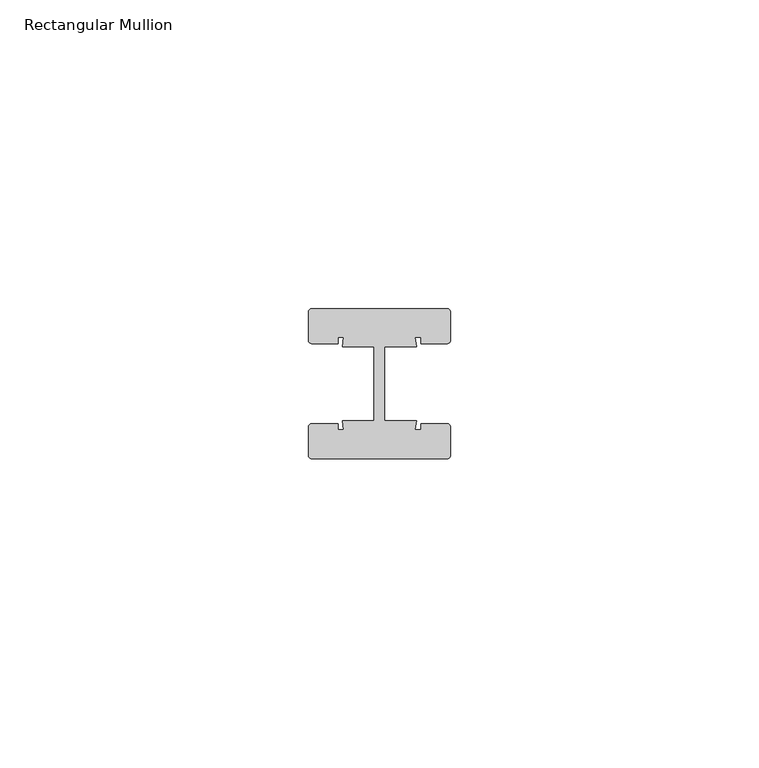
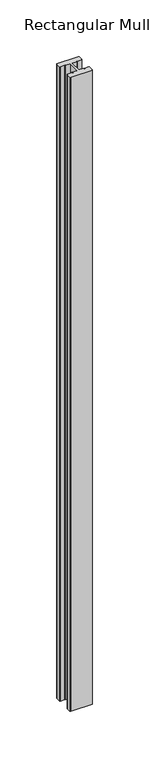
"""IFC4 building model written with IfcOpenShell, lengths in millimetres: member geometry, Rectangular Mullion."""

from ifc_helpers import new_model, si_unit, point, frame, frame_2d, origin, place, context, project, spatial, polyline, circle_curve, trimmed, segment, composite_curve, outline, extrude, source, transform, mapped, element, save


def rectangular_mullion_a60135c2(model_context):
    return source(origin(), model_context, "Body", "SweptSolid", [
        extrude(outline(composite_curve([segment(trimmed(circle_curve(frame_2d((-11.0, 11.64)), 0.5), [point((-11.5, 11.64))], [point((-11.0, 12.14))], False, "CARTESIAN"), True, "CONTINUOUS"), segment(polyline([(-11.0, 12.14), (11.0, 12.14)]), True, "CONTINUOUS"), segment(trimmed(circle_curve(frame_2d((11.0, 11.64)), 0.5), [point((11.0, 12.14))], [point((11.5, 11.64))], False, "CARTESIAN"), True, "CONTINUOUS"), segment(polyline([(11.5, 11.64), (11.5, 7.0)]), True, "CONTINUOUS"), segment(trimmed(circle_curve(frame_2d((11.0, 7.0)), 0.5), [point((11.5, 7.0))], [point((11.0, 6.5))], False, "CARTESIAN"), True, "CONTINUOUS"), segment(polyline([(11.0, 6.5), (6.75, 6.5), (6.75, 7.5), (5.7984177, 7.5), (6.0, 6.0), (0.840625, 6.0), (0.840625, -6.0), (6.0, -6.0), (5.7984177, -7.5), (6.75, -7.5), (6.75, -6.5), (11.0, -6.5)]), True, "CONTINUOUS"), segment(trimmed(circle_curve(frame_2d((11.0, -7.0)), 0.5), [point((11.0, -6.5))], [point((11.5, -7.0))], False, "CARTESIAN"), True, "CONTINUOUS"), segment(polyline([(11.5, -7.0), (11.5, -11.64)]), True, "CONTINUOUS"), segment(trimmed(circle_curve(frame_2d((11.0, -11.64)), 0.5), [point((11.5, -11.64))], [point((11.0, -12.14))], False, "CARTESIAN"), True, "CONTINUOUS"), segment(polyline([(11.0, -12.14), (-11.0, -12.14)]), True, "CONTINUOUS"), segment(trimmed(circle_curve(frame_2d((-11.0, -11.64)), 0.5), [point((-11.0, -12.14))], [point((-11.5, -11.64))], False, "CARTESIAN"), True, "CONTINUOUS"), segment(polyline([(-11.5, -11.64), (-11.5, -7.0)]), True, "CONTINUOUS"), segment(trimmed(circle_curve(frame_2d((-11.0, -7.0)), 0.5), [point((-11.5, -7.0))], [point((-11.0, -6.5))], False, "CARTESIAN"), True, "CONTINUOUS"), segment(polyline([(-11.0, -6.5), (-6.75, -6.5), (-6.75, -7.5), (-5.7984177, -7.5), (-6.0, -6.0), (-0.840625, -6.0), (-0.840625, 6.0), (-6.0, 6.0), (-5.7984177, 7.5), (-6.75, 7.5), (-6.75, 6.5), (-11.0, 6.5)]), True, "CONTINUOUS"), segment(trimmed(circle_curve(frame_2d((-11.0, 7.0)), 0.5), [point((-11.0, 6.5))], [point((-11.5, 7.0))], False, "CARTESIAN"), True, "CONTINUOUS"), segment(polyline([(-11.5, 7.0), (-11.5, 11.64)]), True, "CONTINUOUS")], self_intersect=False)), frame((0.0, 0.0, -686.4612132), z_axis=(0.0, 0.0, 1.0), x_axis=(1.0, 0.0, 0.0)), (0.0, 0.0, 1.0), 686.4612132),
    ])


if __name__ == "__main__":
    model = new_model("IFC4")
    model_context = context("Model", 3, world=origin())
    ifc_project = project(units=[si_unit("LENGTHUNIT", "METRE", prefix="MILLI")], contexts=[model_context])
    site = spatial("IfcSite", under=ifc_project)
    building = spatial("IfcBuilding", under=site)
    placement = place(None, origin())
    rectangular_mullion_shape = rectangular_mullion_a60135c2(model_context)
    element("IfcMember", 1, ObjectType="Rectangular Mullion", at=placement, inside=building, context=model_context, shape_type="MappedRepresentation", body=[
        mapped(rectangular_mullion_shape, transform((0.0, 0.0, 0.0), x_axis=(1.0, 0.0, 0.0), y_axis=(0.0, 1.0, 0.0), z_axis=(0.0, 0.0, 1.0))),
    ])
    save(model, "model.ifc")
